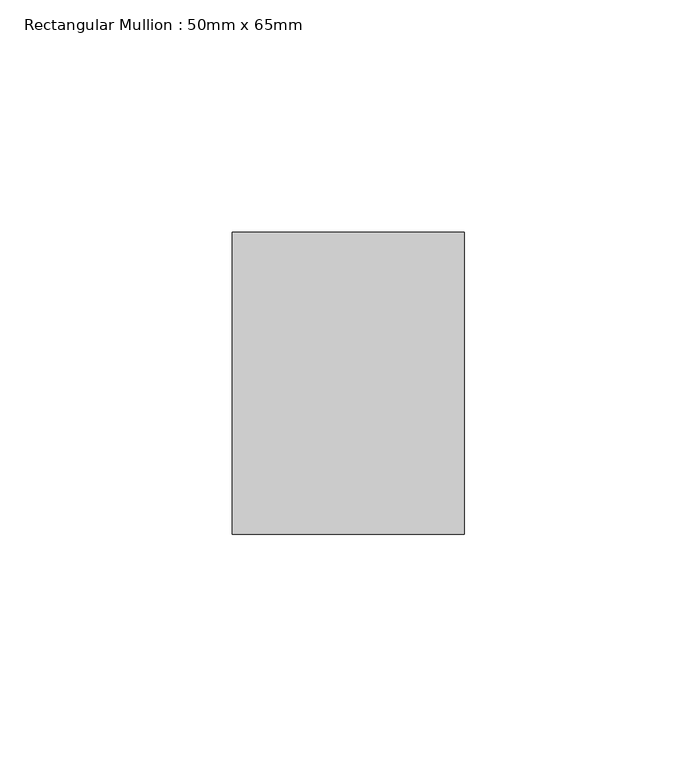
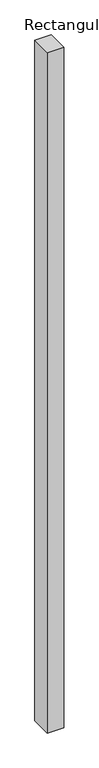
"""IFC4 building model written with IfcOpenShell, lengths in millimetres: member geometry, Rectangular Mullion : 50mm x 65mm."""

from ifc_helpers import new_model, si_unit, frame, origin, place, context, project, spatial, polyline, outline, extrude, source, transform, mapped, element, save


def rectangular_mullion_50mm_x_65mm_b3e07e62(model_context):
    return source(origin(), model_context, "Body", "SweptSolid", [
        extrude(outline(polyline([(25.0, 32.5), (25.0, -32.5), (-25.0, -32.5), (-25.0, 32.5), (25.0, 32.5)])), frame((0.0, 0.0, -2186.9743913), z_axis=(0.0, 0.0, 1.0), x_axis=(1.0, 0.0, 0.0)), (0.0, 0.0, 1.0), 2186.9743913),
    ])


if __name__ == "__main__":
    model = new_model("IFC4")
    model_context = context("Model", 3, world=origin())
    ifc_project = project(units=[si_unit("LENGTHUNIT", "METRE", prefix="MILLI")], contexts=[model_context])
    site = spatial("IfcSite", under=ifc_project)
    building = spatial("IfcBuilding", under=site)
    placement = place(None, origin())
    rectangular_mullion_50mm_x_65mm_shape = rectangular_mullion_50mm_x_65mm_b3e07e62(model_context)
    element("IfcMember", 1, ObjectType="Rectangular Mullion : 50mm x 65mm", at=placement, inside=building, context=model_context, shape_type="MappedRepresentation", body=[
        mapped(rectangular_mullion_50mm_x_65mm_shape, transform((0.0, 0.0, 0.0), x_axis=(1.0, 0.0, 0.0), y_axis=(0.0, 1.0, 0.0), z_axis=(0.0, 0.0, 1.0))),
    ])
    save(model, "model.ifc")
